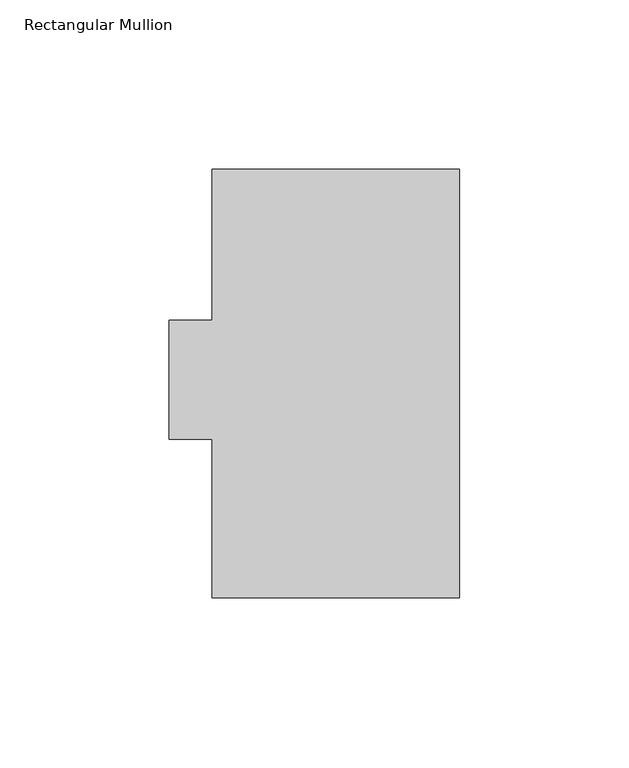
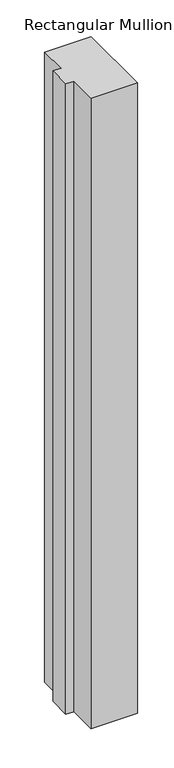
"""IFC4 building model written with IfcOpenShell, lengths in millimetres: member geometry, Rectangular Mullion."""

from ifc_helpers import new_model, si_unit, frame, origin, place, context, project, spatial, polyline, outline, extrude, source, transform, mapped, element, save


def rectangular_mullion_7af20da9(model_context):
    return source(origin(), model_context, "Body", "SweptSolid", [
        extrude(outline(polyline([(-73.025, 125.3688438), (0.0, 125.3688438), (0.0, -1.1231562), (-73.025, -1.1231562), (-73.025, 45.7398437), (-85.725, 45.7398437), (-85.725, 80.9188437), (-73.025, 80.9188437), (-73.025, 125.3688438)])), frame((0.0, 0.0, -1047.75), z_axis=(0.0, 0.0, 1.0), x_axis=(1.0, 0.0, 0.0)), (0.0, 0.0, 1.0), 1047.75),
    ])


if __name__ == "__main__":
    model = new_model("IFC4")
    model_context = context("Model", 3, world=origin())
    ifc_project = project(units=[si_unit("LENGTHUNIT", "METRE", prefix="MILLI")], contexts=[model_context])
    site = spatial("IfcSite", under=ifc_project)
    building = spatial("IfcBuilding", under=site)
    placement = place(None, origin())
    rectangular_mullion_shape = rectangular_mullion_7af20da9(model_context)
    element("IfcMember", 1, ObjectType="Rectangular Mullion", at=placement, inside=building, context=model_context, shape_type="MappedRepresentation", body=[
        mapped(rectangular_mullion_shape, transform((0.0, 0.0, 0.0), x_axis=(1.0, 0.0, 0.0), y_axis=(0.0, 1.0, 0.0), z_axis=(0.0, 0.0, 1.0))),
    ])
    save(model, "model.ifc")
